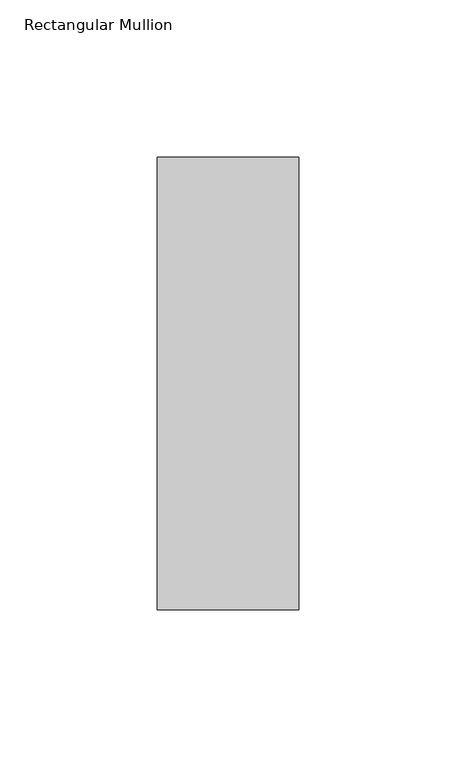
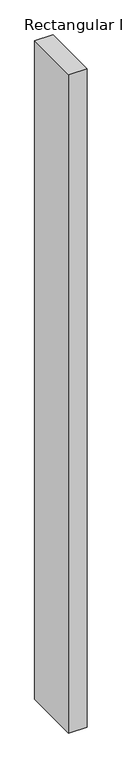
"""IFC4 building model written with IfcOpenShell, lengths in millimetres: member geometry, Rectangular Mullion."""

from ifc_helpers import new_model, si_unit, frame, origin, place, context, project, spatial, polyline, outline, extrude, source, transform, mapped, element, save


def rectangular_mullion_b376dad8(model_context):
    return source(origin(), model_context, "Body", "SweptSolid", [
        extrude(outline(polyline([(22.5, 107.525), (22.5, -36.525), (-22.5, -36.525), (-22.5, 107.525), (22.5, 107.525)])), frame((0.0, 0.0, -1708.8912252), z_axis=(0.0, 0.0, 1.0), x_axis=(1.0, 0.0, 0.0)), (0.0, 0.0, 1.0), 1708.8912252),
    ])


if __name__ == "__main__":
    model = new_model("IFC4")
    model_context = context("Model", 3, world=origin())
    ifc_project = project(units=[si_unit("LENGTHUNIT", "METRE", prefix="MILLI")], contexts=[model_context])
    site = spatial("IfcSite", under=ifc_project)
    building = spatial("IfcBuilding", under=site)
    placement = place(None, origin())
    rectangular_mullion_shape = rectangular_mullion_b376dad8(model_context)
    element("IfcMember", 1, ObjectType="Rectangular Mullion", at=placement, inside=building, context=model_context, shape_type="MappedRepresentation", body=[
        mapped(rectangular_mullion_shape, transform((0.0, 0.0, 0.0), x_axis=(1.0, 0.0, 0.0), y_axis=(0.0, 1.0, 0.0), z_axis=(0.0, 0.0, 1.0))),
    ])
    save(model, "model.ifc")
